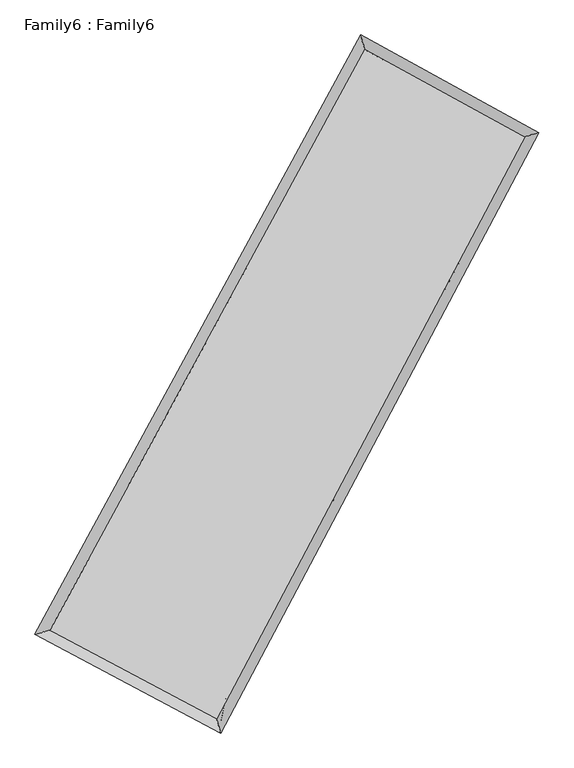
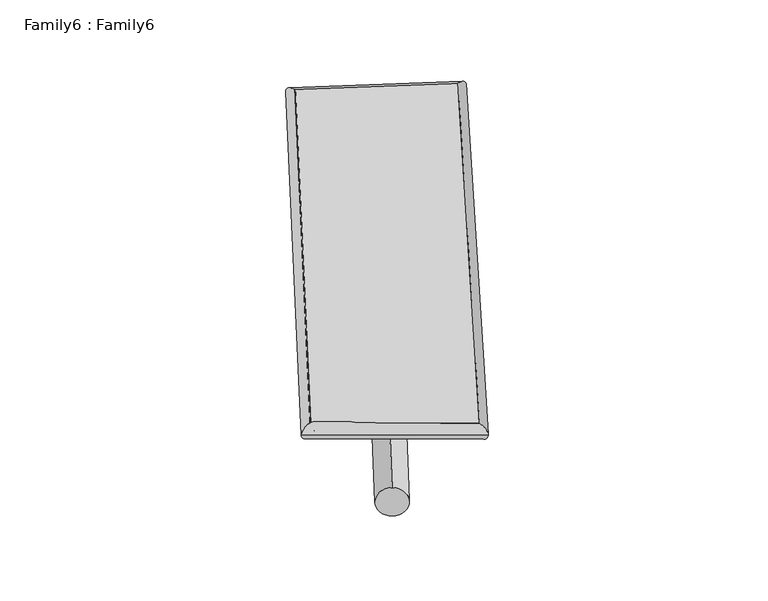
"""IFC4 building model written with IfcOpenShell, lengths in millimetres: plate geometry, Family6 : Family6."""

from ifc_helpers import new_model, si_unit, point, frame, origin, origin_2d, place, context, project, spatial, circle_curve, ellipse_curve, trimmed, segment, composite_curve, outline, extrude, source, transform, mapped, element, save
from ifc_brep_helpers import plane_surface, cylinder_surface, spline_surface, advanced_brep


def family6_family6_2a0c3eab(model_context):
    return source(origin(), model_context, "Body", "SolidModel", [
        extrude(outline(composite_curve([segment(trimmed(circle_curve(origin_2d(), 76.2), [point((-75.4341514, -10.7763073))], [point((75.4341514, 10.7763073))], False, "CARTESIAN"), True, "CONTINUOUS"), segment(trimmed(circle_curve(origin_2d(), 76.2), [point((75.4341514, 10.7763073))], [point((-75.4341514, -10.7763073))], False, "CARTESIAN"), True, "CONTINUOUS")], self_intersect=False)), frame((9144.0, 9144.0, 0.0), z_axis=(0.6640430287657598, 0.6930848101710216, 0.28050009243812235), x_axis=(-0.6854239977048316, 0.7141666370447113, -0.1419857665492381)), (0.0, 0.0, 1.0), 5581.7876696),
        extrude(outline(composite_curve([segment(trimmed(circle_curve(origin_2d(), 76.2), [point((-53.8815367, 53.8815367))], [point((53.8815367, -53.8815367))], False, "CARTESIAN"), True, "CONTINUOUS"), segment(trimmed(circle_curve(origin_2d(), 76.2), [point((53.8815367, -53.8815367))], [point((-53.8815367, 53.8815367))], False, "CARTESIAN"), True, "CONTINUOUS")], self_intersect=False)), frame((9144.0, 9144.0, 0.0), z_axis=(-0.6709106646018048, -0.6871912223677488, 0.27865229951372045), x_axis=(0.6449513174733447, -0.35531299471906824, 0.6766021533169728)), (0.0, 0.0, 1.0), 5614.9873756),
        extrude(outline(composite_curve([segment(trimmed(circle_curve(origin_2d(), 76.2), [point((-53.8815367, -53.8815367))], [point((53.8815367, 53.8815367))], False, "CARTESIAN"), True, "CONTINUOUS"), segment(trimmed(circle_curve(origin_2d(), 76.2), [point((53.8815367, 53.8815367))], [point((-53.8815367, -53.8815367))], False, "CARTESIAN"), True, "CONTINUOUS")], self_intersect=False)), frame((9144.0, 9144.0, 0.0), z_axis=(0.2121624079207477, 0.9406075843817276, 0.26503676135366894), x_axis=(-0.8490685211376473, 0.31169869528528943, -0.4265285099153127)), (0.0, 0.0, 1.0), 5582.7582805),
        extrude(outline(composite_curve([segment(trimmed(circle_curve(origin_2d(), 76.2), [point((-75.4341514, 10.7763074))], [point((75.4341514, -10.7763074))], False, "CARTESIAN"), True, "CONTINUOUS"), segment(trimmed(circle_curve(origin_2d(), 76.2), [point((75.4341514, -10.7763074))], [point((-75.4341514, 10.7763074))], False, "CARTESIAN"), True, "CONTINUOUS")], self_intersect=False)), frame((9144.0, 9144.0, 0.0), z_axis=(-0.20253933007345998, -0.9426147480294289, 0.2654340908225817), x_axis=(0.898717132301618, -0.07126159606468604, 0.4327000127500228)), (0.0, 0.0, 1.0), 5579.0443191),
        advanced_brep(
        [(5169.7462459, 5223.2128391, 1558.9966045), (5169.5615359, 5222.9707888, 1571.6584885), (5583.9439302, 5347.6470844, 1570.2616834), (10389.1932357, 14188.1404328, 1487.7808923), (10267.7096436, 14602.2291281, 1471.4914559), (5584.1286403, 5347.8891347, 1557.5997994), (12645.5523652, 12951.2762486, 1564.7695443), (13055.5420148, 13074.0282462, 1566.6143703), (7950.767365, 4091.2242885, 1482.4319595), (8077.2808373, 3678.9968014, 1479.3051535)],
        [
            (0, 1, ellipse_curve(frame((5376.8450881, 5285.4299618, 1564.629144), z_axis=(-0.28804212871129586, 0.9575138933307802, 0.01410234611675193), x_axis=(-0.9571941393879625, -0.2883214656942186, 0.025497292822476158)), 216.6087458, 152.4)),
            (1, 2, ellipse_curve(frame((5376.8450881, 5285.4299618, 1564.629144), z_axis=(-0.28804212871129586, 0.9575138933307802, 0.01410234611675193), x_axis=(-0.9571941393879625, -0.2883214656942186, 0.025497292822476158)), 216.6087458, 152.4)),
            (2, 3),
            (3, 4, ellipse_curve(frame((10328.4514396, 14395.1847804, 1479.6361741), z_axis=(-0.9592808796227699, -0.28203481040905226, -0.015380497641325428), x_axis=(0.2815692666024325, -0.9591639833889996, 0.02689239807669202)), 215.9369791, 152.4)),
            (4, 0),
            (2, 5, ellipse_curve(frame((5376.8450881, 5285.4299618, 1564.629144), z_axis=(-0.28804212871129586, 0.9575138933307802, 0.01410234611675193), x_axis=(-0.9571941393879625, -0.2883214656942186, 0.025497292822476158)), 216.6087458, 152.4)),
            (5, 0, ellipse_curve(frame((5376.8450881, 5285.4299618, 1564.629144), z_axis=(-0.28804212871129586, 0.9575138933307802, 0.01410234611675193), x_axis=(-0.9571941393879625, -0.2883214656942186, 0.025497292822476158)), 216.6087458, 152.4)),
            (4, 3, ellipse_curve(frame((10328.4514396, 14395.1847804, 1479.6361741), z_axis=(-0.9592808796227699, -0.28203481040905226, -0.015380497641325428), x_axis=(0.2815692666024325, -0.9591639833889996, 0.02689239807669202)), 215.9369791, 152.4)),
            (3, 6),
            (6, 7, ellipse_curve(frame((12850.54719, 13012.6522474, 1565.6919573), z_axis=(-0.2867266564832357, 0.9578912805269134, -0.015235457080592027), x_axis=(-0.9575308216601709, -0.2870504769089094, -0.027143125781046915)), 214.0419747, 152.4)),
            (7, 4),
            (7, 6, ellipse_curve(frame((12850.54719, 13012.6522474, 1565.6919573), z_axis=(-0.2867266564832357, 0.9578912805269134, -0.015235457080592027), x_axis=(-0.9575308216601709, -0.2870504769089094, -0.027143125781046915)), 214.0419747, 152.4)),
            (6, 8),
            (8, 9, ellipse_curve(frame((8014.0241012, 3885.1105449, 1480.8685565), z_axis=(0.9558671646024903, 0.2934640338592652, -0.014029414308644798), x_axis=(-0.2930529191192995, 0.955752892730536, 0.025620199703944278)), 215.6442911, 152.4)),
            (9, 7),
            (9, 8, ellipse_curve(frame((8014.0241012, 3885.1105449, 1480.8685565), z_axis=(0.9558671646024903, 0.2934640338592652, -0.014029414308644798), x_axis=(-0.2930529191192995, 0.955752892730536, 0.025620199703944278)), 215.6442911, 152.4)),
            (8, 5),
            (1, 9),
        ],
        [
            cylinder_surface(frame((5376.8450881, 5285.4299618, 1564.629144), z_axis=(-0.47754586808086363, -0.8785685824013146, 0.008196944323265194), x_axis=(-0.8778764503568213, 0.47674780118451887, -0.045215837652684616)), 152.4),
            cylinder_surface(frame((10328.4514396, 14395.1847804, 1479.6361741), z_axis=(-0.8765011010962874, 0.48046997713462336, -0.029906869599647914), x_axis=(0.4811675836433181, 0.8763155759717238, -0.023425792626856103)), 152.4),
            cylinder_surface(frame((12850.54719, 13012.6522474, 1565.6919573), z_axis=(0.46819667849423147, 0.8835861277568753, 0.008211277767804257), x_axis=(0.883621923880868, -0.46819667849423147, -0.0020410497404001297)), 152.4),
            cylinder_surface(frame((8014.0241012, 3885.1105449, 1480.8685565), z_axis=(0.8828630241275331, -0.46879268678648, -0.02804099577226953), x_axis=(-0.4684616087074721, -0.8833044489897992, 0.017803695179220945)), 152.4),
        ],
        [
            (0, [[1, 2, 3, 4, 5]]),
            (0, [[6, 7, -5, 8, -3]]),
            (1, [[-4, 9, 10, 11]]),
            (1, [[-8, -11, 12, -9]]),
            (2, [[-10, 13, 14, 15]]),
            (2, [[-12, -15, 16, -13]]),
            (3, [[-14, 17, -6, -2, 18]]),
            (3, [[-16, -18, -1, -7, -17]]),
        ],
    ),
        extrude(outline(composite_curve([segment(trimmed(circle_curve(origin_2d(), 304.8), [point((-1e-07, -304.8))], [point((0.0, 304.7999999))], False, "CARTESIAN"), True, "CONTINUOUS"), segment(trimmed(circle_curve(origin_2d(), 304.8), [point((0.0, 304.7999999))], [point((-1e-07, -304.8))], False, "CARTESIAN"), True, "CONTINUOUS")], self_intersect=False)), frame((6648.7491422, 4588.2770892, -0.083558), z_axis=(0.4803813001624013, 0.8770597506416008, 1.6086446746712382e-05), x_axis=(-0.8770597507794622, 0.4803813001624014, 4.116879177947071e-06)), (0.0, 0.0, 1.0), 10388.6261056),
        advanced_brep(
        [(5376.8450881, 5285.4299618, 1564.629144), (8014.0241012, 3885.1105449, 1480.8685565), (8014.0461177, 3885.1028179, 1633.2685547), (5376.8671046, 5285.4222347, 1717.0291422), (12850.54719, 13012.6522474, 1565.6919573), (12850.5692065, 13012.6445204, 1718.0919555), (10328.4514396, 14395.1847804, 1479.6361741), (10328.4734561, 14395.1770534, 1632.0361723)],
        [
            (0, 1),
            (1, 2),
            (2, 3),
            (3, 0),
            (1, 4),
            (4, 5),
            (5, 2),
            (4, 6),
            (6, 7),
            (7, 5),
            (6, 0),
            (3, 7),
        ],
        [
            plane_surface(frame((6695.4345946, 4585.2702534, 1522.7488502), z_axis=(-0.46897653156683433, -0.8832106273771392, 2.297003181115677e-05), x_axis=(0.8828630241275329, -0.46879268678648, -0.028040995772269532))),
            plane_surface(frame((10432.2856456, 8448.8813962, 1523.2802569), z_axis=(0.8836164891323718, -0.4682113595525722, -0.0001513912580272292), x_axis=(0.46819667849423147, 0.8835861277568754, 0.008211277767804252))),
            plane_surface(frame((11589.4993148, 13703.9185139, 1522.6640657), z_axis=(0.48068564786063, 0.8768929850994993, -2.4981911051658034e-05), x_axis=(-0.8765011010962873, 0.4804699771346235, -0.02990686959964792))),
            plane_surface(frame((7852.6482639, 9840.3073711, 1522.132659), z_axis=(-0.8785974976528965, 0.4775629950851168, 0.00015114033727954253), x_axis=(-0.477545868080864, -0.8785685824013146, 0.008196944323265187))),
            spline_surface(1, 1, [[(8014.0461177, 3885.1028179, 1633.2685547), (5376.8671046, 5285.4222347, 1717.0291422)], [(12850.5692065, 13012.6445204, 1718.0919555), (10328.4734561, 14395.1770534, 1632.0361723)]], [2, 2], [2, 2], [0.0, 1.0], [0.0, 1.0]),
            spline_surface(1, 1, [[(10328.4514396, 14395.1847804, 1479.6361741), (5376.8450881, 5285.4299618, 1564.629144)], [(12850.54719, 13012.6522474, 1565.6919573), (8014.0241012, 3885.1105449, 1480.8685565)]], [2, 2], [2, 2], [0.0, 1.0], [0.0, 1.0]),
        ],
        [
            (0, [[1, 2, 3, 4]]),
            (1, [[5, 6, 7, -2]]),
            (2, [[8, 9, 10, -6]]),
            (3, [[11, -4, 12, -9]]),
            (4, [[-3, -7, -10, -12]]),
            (5, [[-11, -8, -5, -1]]),
        ],
    ),
    ])


if __name__ == "__main__":
    model = new_model("IFC4")
    model_context = context("Model", 3, world=origin())
    ifc_project = project(units=[si_unit("LENGTHUNIT", "METRE", prefix="MILLI")], contexts=[model_context])
    site = spatial("IfcSite", under=ifc_project)
    building = spatial("IfcBuilding", under=site)
    placement = place(None, origin())
    family6_family6_shape = family6_family6_2a0c3eab(model_context)
    element("IfcPlate", 1, ObjectType="Family6 : Family6", at=placement, inside=building, context=model_context, shape_type="MappedRepresentation", body=[
        mapped(family6_family6_shape, transform((0.0, 0.0, 0.0), x_axis=(1.0, 0.0, 0.0), y_axis=(0.0, 1.0, 0.0), z_axis=(0.0, 0.0, 1.0))),
    ])
    save(model, "model.ifc")
